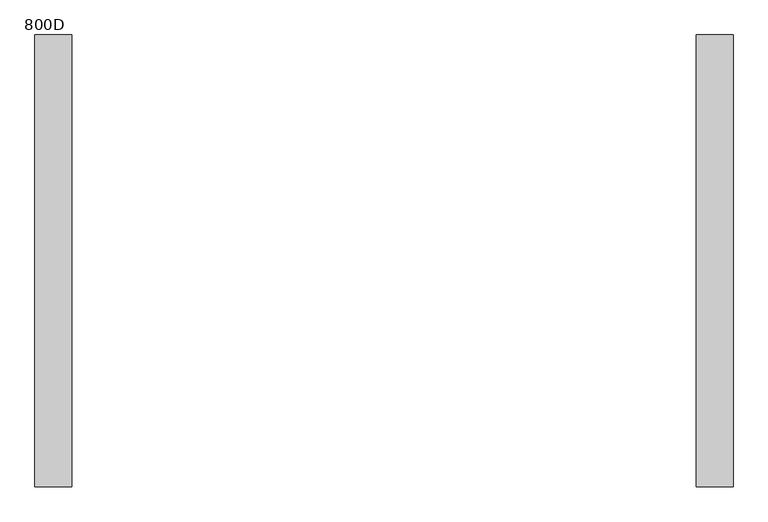
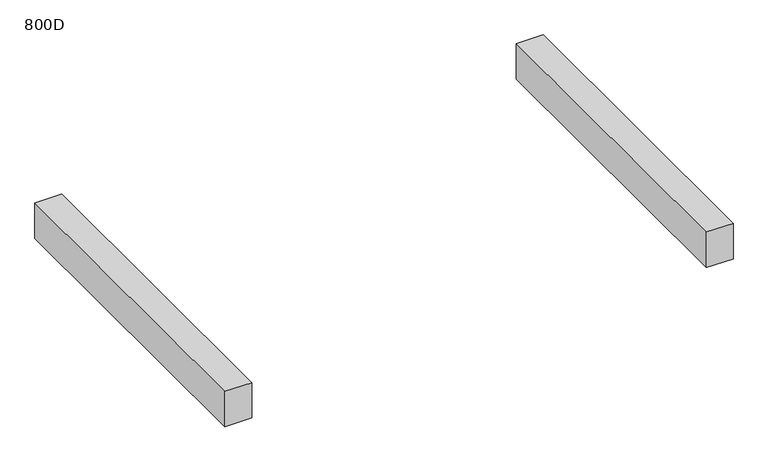
"""IFC4 building model written with IfcOpenShell, lengths in millimetres: furniture geometry, 800D."""

from ifc_helpers import new_model, si_unit, frame, origin, place, context, project, spatial, polyline, outline, extrude, source, transform, mapped, element, save


def furniture_800d_fb36743f(model_context):
    return source(origin(), model_context, "Body", "SweptSolid", [
        extrude(outline(polyline([(-509.9999968, 369.0), (-509.9999968, -369.0), (-570.0, -369.0), (-570.0, 369.0), (-509.9999968, 369.0)])), frame((0.0, 0.0, 435.0), z_axis=(0.0, 0.0, 1.0), x_axis=(1.0, 0.0, 0.0)), (0.0, 0.0, 1.0), 84.0),
        extrude(outline(polyline([(570.0, 369.0), (570.0, -369.0), (509.9999968, -369.0), (509.9999968, 369.0), (570.0, 369.0)])), frame((0.0, 0.0, 435.0), z_axis=(0.0, 0.0, 1.0), x_axis=(1.0, 0.0, 0.0)), (0.0, 0.0, 1.0), 84.0),
    ])


if __name__ == "__main__":
    model = new_model("IFC4")
    model_context = context("Model", 3, world=origin())
    ifc_project = project(units=[si_unit("LENGTHUNIT", "METRE", prefix="MILLI")], contexts=[model_context])
    site = spatial("IfcSite", under=ifc_project)
    building = spatial("IfcBuilding", under=site)
    placement = place(None, origin())
    furniture_800d_shape = furniture_800d_fb36743f(model_context)
    element("IfcFurniture", 1, ObjectType="800D", at=placement, inside=building, context=model_context, shape_type="MappedRepresentation", body=[
        mapped(furniture_800d_shape, transform((0.0, 0.0, 0.0), x_axis=(1.0, 0.0, 0.0), y_axis=(0.0, 1.0, 0.0), z_axis=(0.0, 0.0, 1.0))),
    ])
    save(model, "model.ifc")
